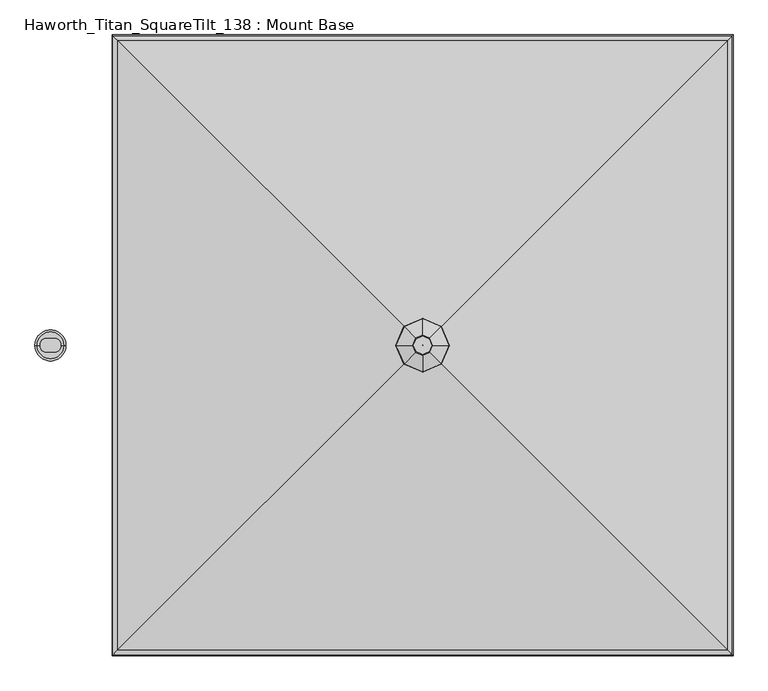
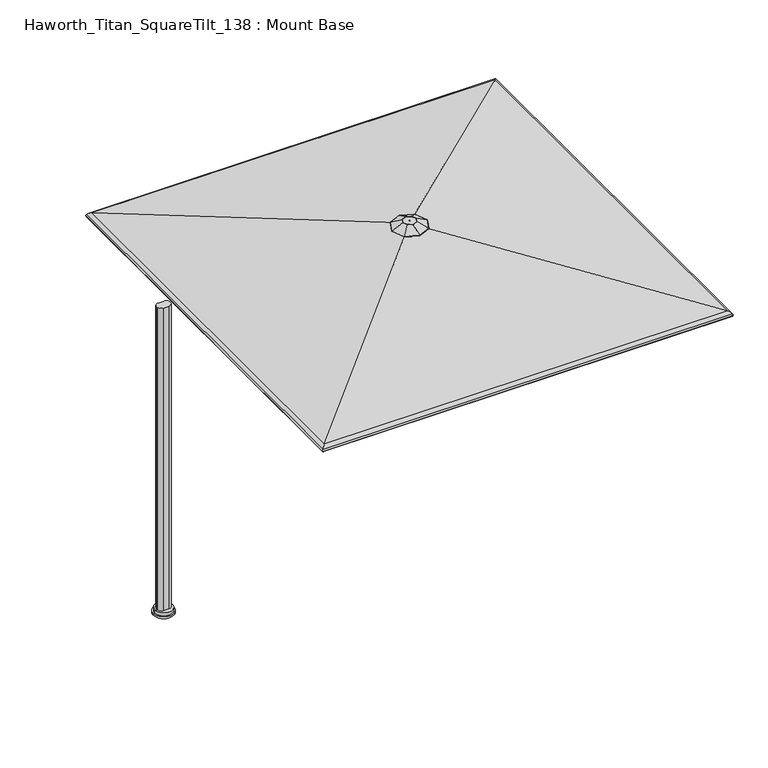
"""IFC4 building model written with IfcOpenShell, lengths in millimetres: furniture geometry, Haworth_Titan_SquareTilt_138 : Mount Base."""

from ifc_helpers import new_model, si_unit, point, frame, frame_2d, origin, place, context, project, spatial, polyline, circle_curve, ellipse_curve, trimmed, segment, composite_curve, outline, extrude, source, transform, mapped, element, save
from ifc_brep_helpers import plane_surface, cylinder_surface, revolved_surface, advanced_brep


def haworth_titan_squaretilt_138_mount_base_5adf1c4e(model_context):
    return source(origin(), model_context, "Body", "SolidModel", [
        advanced_brep(
        [(243.7167733, -4.0299408, 2843.4799255), (227.6284214, 33.0984806, 2843.4799255), (190.5, 49.1868325, 2843.4799255), (153.3715786, 33.0984806, 2843.4799255), (137.2832267, -4.0299408, 2843.4799255), (153.3715786, -41.1583622, 2843.4799255), (190.5, -57.2467141, 2843.4799255), (227.6284214, -41.1583622, 2843.4799255), (190.2200807, -3.7500215, 2843.4799255), (190.5, -3.6287279, 2843.4799255), (190.7799193, -3.7500215, 2843.4799255), (190.9012128, -4.0299408, 2843.4799255), (190.7799193, -4.30986, 2843.4799255), (190.5, -4.4311536, 2843.4799255), (190.2200807, -4.30986, 2843.4799255), (190.0987872, -4.0299408, 2843.4799255), (170.7122835, 15.7577757, 2828.9716869), (190.5, 24.3321167, 2828.9716869), (210.2877165, 15.7577757, 2828.9716869), (218.8620575, -4.0299408, 2828.9716869), (210.2877165, -23.8176572, 2828.9716869), (190.5, -32.3919982, 2828.9716869), (170.7122835, -23.8176572, 2828.9716869), (162.1379425, -4.0299408, 2828.9716869), (190.9012128, -4.0299408, 2828.9716869), (190.7799193, -3.7500215, 2828.9716869), (190.5, -3.6287279, 2828.9716869), (190.2200807, -3.7500215, 2828.9716869), (190.0987872, -4.0299408, 2828.9716869), (190.2200807, -4.30986, 2828.9716869), (190.5, -4.4311536, 2828.9716869), (190.7799193, -4.30986, 2828.9716869), (84.5700231, 101.9000361, 2796.4187712), (38.6688326, -4.0299408, 2796.4187712), (83.8039003, 102.6661589, 2798.9948487), (37.5707362, -4.0299408, 2798.9948487), (149.033862, 37.4361973, 2842.1265361), (131.0659065, -4.0299408, 2842.1265361), (84.5700231, -109.9599176, 2796.4187712), (83.8039003, -110.7260405, 2798.9948487), (149.033862, -45.4960788, 2842.1265361), (190.5, -155.8611082, 2796.4187712), (190.5, -156.9592046, 2798.9948487), (190.5, -63.4640343, 2842.1265361), (296.4299769, -109.9599176, 2796.4187712), (297.1960997, -110.7260405, 2798.9948487), (231.966138, -45.4960788, 2842.1265361), (342.3311674, -4.0299408, 2796.4187712), (343.4292638, -4.0299408, 2798.9948487), (249.9340935, -4.0299408, 2842.1265361), (296.4299769, 101.9000361, 2796.4187712), (297.1960997, 102.6661589, 2798.9948487), (231.966138, 37.4361973, 2842.1265361), (190.5, 147.8012266, 2796.4187712), (190.5, 148.899323, 2798.9948487), (190.5, 55.4041527, 2842.1265361)],
        [
            (0, 1),
            (1, 2),
            (2, 3),
            (3, 4),
            (4, 5),
            (5, 6),
            (6, 7),
            (7, 0),
            (8, 9),
            (9, 10),
            (10, 11),
            (11, 12),
            (12, 13),
            (13, 14),
            (14, 15),
            (15, 8),
            (16, 17),
            (17, 18),
            (18, 19),
            (19, 20),
            (20, 21),
            (21, 22),
            (22, 23),
            (23, 16),
            (24, 25),
            (25, 26),
            (26, 27),
            (27, 28),
            (28, 29),
            (29, 30),
            (30, 31),
            (31, 24),
            (27, 8),
            (15, 28),
            (14, 29),
            (13, 30),
            (12, 31),
            (11, 24),
            (10, 25),
            (9, 26),
            (32, 16),
            (23, 33),
            (33, 32),
            (34, 32, ellipse_curve(frame((84.278338, 102.1917212, 2797.7538132), z_axis=(-0.7071067811865479, -0.707106781186547, 0.0), x_axis=(-0.7071067811865467, 0.7071067811865482, 0.0)), 1.4936871, 1.3890625)),
            (33, 35, ellipse_curve(frame((38.2507556, -4.0299408, 2797.7538132), z_axis=(0.0, 0.9999999999999999, 0.0), x_axis=(1.0, 0.0, 0.0)), 1.5138634, 1.3890625)),
            (35, 34),
            (36, 34),
            (35, 37),
            (37, 36),
            (3, 36, ellipse_curve(frame((153.3715786, 33.0984806, 2830.7799255), z_axis=(-0.7071067811865479, -0.707106781186547, 0.0), x_axis=(-0.7071067811865467, 0.7071067811865482, 0.0)), 13.656568, 12.7)),
            (37, 4, ellipse_curve(frame((137.2832267, -4.0299408, 2830.7799255), z_axis=(0.0, 0.9999999999999999, 0.0), x_axis=(1.0, 0.0, 0.0)), 13.8410369, 12.7)),
            (22, 38),
            (38, 33),
            (38, 39, ellipse_curve(frame((84.278338, -110.2516027, 2797.7538132), z_axis=(-0.707106781186547, 0.707106781186548, 0.0), x_axis=(0.7071067811865479, 0.707106781186547, 0.0)), 1.4936871, 1.3890625)),
            (39, 35),
            (39, 40),
            (40, 37),
            (40, 5, ellipse_curve(frame((153.3715786, -41.1583622, 2830.7799255), z_axis=(-0.707106781186547, 0.707106781186548, 0.0), x_axis=(0.7071067811865479, 0.707106781186547, 0.0)), 13.656568, 12.7)),
            (21, 41),
            (41, 38),
            (41, 42, ellipse_curve(frame((190.5, -156.2791852, 2797.7538132), z_axis=(-0.9999999999999999, 0.0, 0.0), x_axis=(0.0, 1.0, 0.0)), 1.5138634, 1.3890625)),
            (42, 39),
            (42, 43),
            (43, 40),
            (43, 6, ellipse_curve(frame((190.5, -57.2467141, 2830.7799255), z_axis=(-0.9999999999999999, 0.0, 0.0), x_axis=(0.0, 1.0, 0.0)), 13.8410369, 12.7)),
            (20, 44),
            (44, 41),
            (44, 45, ellipse_curve(frame((296.721662, -110.2516027, 2797.7538132), z_axis=(-0.707106781186548, -0.707106781186547, 0.0), x_axis=(-0.7071067811865469, 0.7071067811865481, 0.0)), 1.4936871, 1.3890625)),
            (45, 42),
            (45, 46),
            (46, 43),
            (46, 7, ellipse_curve(frame((227.6284214, -41.1583622, 2830.7799255), z_axis=(-0.707106781186548, -0.707106781186547, 0.0), x_axis=(-0.7071067811865469, 0.7071067811865481, 0.0)), 13.656568, 12.7)),
            (19, 47),
            (47, 44),
            (47, 48, ellipse_curve(frame((342.7492444, -4.0299408, 2797.7538132), z_axis=(0.0, -1.0, 0.0), x_axis=(-1.0, 0.0, 0.0)), 1.5138634, 1.3890625)),
            (48, 45),
            (48, 49),
            (49, 46),
            (49, 0, ellipse_curve(frame((243.7167733, -4.0299408, 2830.7799255), z_axis=(0.0, -1.0, 0.0), x_axis=(-1.0, 0.0, 0.0)), 13.8410369, 12.7)),
            (18, 50),
            (50, 47),
            (50, 51, ellipse_curve(frame((296.721662, 102.1917212, 2797.7538132), z_axis=(0.707106781186547, -0.707106781186548, 0.0), x_axis=(-0.7071067811865478, -0.7071067811865471, 0.0)), 1.4936871, 1.3890625)),
            (51, 48),
            (51, 52),
            (52, 49),
            (52, 1, ellipse_curve(frame((227.6284214, 33.0984806, 2830.7799255), z_axis=(0.707106781186547, -0.707106781186548, 0.0), x_axis=(-0.7071067811865478, -0.7071067811865471, 0.0)), 13.656568, 12.7)),
            (17, 53),
            (53, 50),
            (53, 54, ellipse_curve(frame((190.5, 148.2193037, 2797.7538132), z_axis=(0.9999999999999999, 0.0, 0.0), x_axis=(0.0, -1.0, 0.0)), 1.5138634, 1.3890625)),
            (54, 51),
            (54, 55),
            (55, 52),
            (55, 2, ellipse_curve(frame((190.5, 49.1868325, 2830.7799255), z_axis=(0.9999999999999999, 0.0, 0.0), x_axis=(0.0, -1.0, 0.0)), 13.8410369, 12.7)),
            (32, 53),
            (34, 54),
            (36, 55),
        ],
        [
            plane_surface(frame((190.5, 49.1868325, 2843.4799255), z_axis=(0.0, 0.0, 1.0), x_axis=(-0.9175613115760063, -0.3975943152246007, 0.0))),
            plane_surface(frame((190.5, -3.6287279, 2828.9716869), z_axis=(0.0, 0.0, -1.0000000000000002), x_axis=(-0.9175613115759947, -0.39759431522462746, 0.0))),
            plane_surface(frame((190.2200807, -3.7500215, 2843.4799255), z_axis=(0.9175613115760348, -0.397594315224535, 0.0), x_axis=(-0.397594315224535, -0.9175613115760348, 0.0))),
            plane_surface(frame((190.0987872, -4.0299408, 2843.4799255), z_axis=(0.9175613115760161, 0.3975943152245781, 0.0), x_axis=(0.3975943152245781, -0.9175613115760161, 0.0))),
            plane_surface(frame((190.2200807, -4.30986, 2843.4799255), z_axis=(0.39759431522454197, 0.9175613115760317, 0.0), x_axis=(0.9175613115760317, -0.39759431522454197, 0.0))),
            plane_surface(frame((190.5, -4.4311536, 2843.4799255), z_axis=(-0.3975943152245726, 0.9175613115760184, 0.0), x_axis=(0.9175613115760184, 0.3975943152245726, 0.0))),
            plane_surface(frame((190.7799193, -4.30986, 2843.4799255), z_axis=(-0.9175613115759994, 0.39759431522461663, 0.0), x_axis=(0.39759431522461663, 0.9175613115759994, 0.0))),
            plane_surface(frame((190.9012128, -4.0299408, 2843.4799255), z_axis=(-0.91756131157602, -0.3975943152245694, 0.0), x_axis=(-0.3975943152245694, 0.91756131157602, 0.0))),
            plane_surface(frame((190.7799193, -3.7500215, 2843.4799255), z_axis=(-0.3975943152246114, -0.9175613115760016, 0.0), x_axis=(-0.9175613115760016, 0.3975943152246114, 0.0))),
            plane_surface(frame((190.5, -3.6287279, 2843.4799255), z_axis=(0.39759431522460253, -0.9175613115760055, 0.0), x_axis=(-0.9175613115760055, -0.39759431522460253, 0.0))),
            plane_surface(frame((170.7122835, 15.7577757, 2828.9716869), z_axis=(0.25339888552783735, -0.10980187928485084, -0.9611100624375781), x_axis=(-0.39759431522460265, -0.9175613115760055, 0.0))),
            cylinder_surface(frame((84.3593942, 102.3787813, 2797.7538132), z_axis=(0.3975943152246023, 0.9175613115760056, 0.0), x_axis=(0.9175613115760056, -0.3975943152246023, 0.0)), 1.3890625),
            plane_surface(frame((83.8039003, 102.6661589, 2798.9948487), z_axis=(-0.4121636618055376, 0.1785972520948631, 0.8934339021053628), x_axis=(-0.3975943152246023, -0.9175613115760056, 0.0))),
            cylinder_surface(frame((167.7366896, 66.2500363, 2830.7799255), z_axis=(0.3975943152246023, 0.9175613115760056, 0.0), x_axis=(0.9175613115760056, -0.3975943152246023, 0.0)), 12.7),
            plane_surface(frame((162.1379425, -4.0299408, 2828.9716869), z_axis=(0.25339888552783774, 0.1098018792848499, -0.9611100624375779), x_axis=(0.39759431522459926, -0.9175613115760068, 0.0))),
            cylinder_surface(frame((38.1619188, -3.8249249, 2797.7538132), z_axis=(-0.39759431522459965, 0.9175613115760068, 0.0), x_axis=(0.9175613115760068, 0.39759431522459965, 0.0)), 1.3890625),
            plane_surface(frame((37.5707362, -4.0299408, 2798.9948487), z_axis=(-0.41216366180553804, -0.17859725209486188, 0.8934339021053624), x_axis=(0.39759431522459965, -0.9175613115760067, 0.0))),
            cylinder_surface(frame((121.5392142, 32.3038202, 2830.7799255), z_axis=(-0.39759431522459965, 0.9175613115760068, 0.0), x_axis=(0.9175613115760068, 0.39759431522459965, 0.0)), 12.7),
            plane_surface(frame((170.7122835, -23.8176572, 2828.9716869), z_axis=(0.10980187928485022, 0.2533988855278375, -0.9611100624375781), x_axis=(0.9175613115760065, -0.39759431522460054, 0.0))),
            cylinder_surface(frame((84.0912779, -110.1705465, 2797.7538132), z_axis=(-0.9175613115760063, 0.3975943152246009, 0.0), x_axis=(0.3975943152246009, 0.9175613115760063, 0.0)), 1.3890625),
            plane_surface(frame((83.8039003, -110.7260405, 2798.9948487), z_axis=(-0.17859725209486255, -0.4121636618055377, 0.8934339021053628), x_axis=(0.9175613115760062, -0.39759431522460115, 0.0))),
            cylinder_surface(frame((120.2200229, -26.7932512, 2830.7799255), z_axis=(-0.9175613115760063, 0.3975943152246009, 0.0), x_axis=(0.3975943152246009, 0.9175613115760063, 0.0)), 12.7),
            plane_surface(frame((190.5, -32.3919982, 2828.9716869), z_axis=(-0.10980187928485018, 0.2533988855278376, -0.9611100624375781), x_axis=(0.9175613115760065, 0.39759431522460026, 0.0))),
            cylinder_surface(frame((190.2949841, -156.368022, 2797.7538132), z_axis=(-0.9175613115760062, -0.3975943152246011, 0.0), x_axis=(-0.3975943152246011, 0.9175613115760062, 0.0)), 1.3890625),
            plane_surface(frame((190.5, -156.9592046, 2798.9948487), z_axis=(0.1785972520948624, -0.4121636618055376, 0.8934339021053627), x_axis=(0.9175613115760062, 0.397594315224601, 0.0))),
            cylinder_surface(frame((154.1662391, -72.9907266, 2830.7799255), z_axis=(-0.9175613115760062, -0.3975943152246011, 0.0), x_axis=(-0.3975943152246011, 0.9175613115760062, 0.0)), 12.7),
            plane_surface(frame((210.2877165, -23.8176572, 2828.9716869), z_axis=(-0.2533988855278374, 0.10980187928485075, -0.9611100624375781), x_axis=(0.3975943152246023, 0.9175613115760056, 0.0))),
            cylinder_surface(frame((296.6406058, -110.4386628, 2797.7538132), z_axis=(-0.3975943152246023, -0.9175613115760057, 0.0), x_axis=(-0.9175613115760057, 0.3975943152246023, 0.0)), 1.3890625),
            plane_surface(frame((297.1960997, -110.7260405, 2798.9948487), z_axis=(0.4121636618055374, -0.17859725209486313, 0.8934339021053627), x_axis=(0.39759431522460253, 0.9175613115760055, 0.0))),
            cylinder_surface(frame((213.2633104, -74.3099178, 2830.7799255), z_axis=(-0.3975943152246023, -0.9175613115760057, 0.0), x_axis=(-0.9175613115760057, 0.3975943152246023, 0.0)), 12.7),
            plane_surface(frame((218.8620575, -4.0299408, 2828.9716869), z_axis=(-0.2533988855278377, -0.1098018792848499, -0.961110062437578), x_axis=(-0.3975943152245993, 0.9175613115760068, 0.0))),
            cylinder_surface(frame((342.8380812, -4.2349567, 2797.7538132), z_axis=(0.39759431522459965, -0.9175613115760066, 0.0), x_axis=(-0.9175613115760066, -0.39759431522459965, 0.0)), 1.3890625),
            plane_surface(frame((343.4292638, -4.0299408, 2798.9948487), z_axis=(0.4121636618055379, 0.1785972520948618, 0.8934339021053627), x_axis=(-0.3975943152245996, 0.9175613115760067, 0.0))),
            cylinder_surface(frame((259.4607858, -40.3637017, 2830.7799255), z_axis=(0.39759431522459965, -0.9175613115760066, 0.0), x_axis=(-0.9175613115760066, -0.39759431522459965, 0.0)), 12.7),
            plane_surface(frame((210.2877165, 15.7577757, 2828.9716869), z_axis=(-0.10980187928485009, -0.2533988855278375, -0.961110062437578), x_axis=(-0.9175613115760065, 0.3975943152246001, 0.0))),
            cylinder_surface(frame((296.9087221, 102.110665, 2797.7538132), z_axis=(0.9175613115760062, -0.3975943152246008, 0.0), x_axis=(-0.3975943152246008, -0.9175613115760062, 0.0)), 1.3890625),
            plane_surface(frame((297.1960997, 102.6661589, 2798.9948487), z_axis=(0.17859725209486232, 0.41216366180553754, 0.8934339021053628), x_axis=(-0.9175613115760062, 0.39759431522460087, 0.0))),
            cylinder_surface(frame((260.7799771, 18.7333696, 2830.7799255), z_axis=(0.9175613115760062, -0.3975943152246008, 0.0), x_axis=(-0.3975943152246008, -0.9175613115760062, 0.0)), 12.7),
            plane_surface(frame((190.5, 24.3321167, 2828.9716869), z_axis=(0.1098018792848503, -0.25339888552783746, -0.961110062437578), x_axis=(-0.9175613115760063, -0.39759431522460087, 0.0))),
            cylinder_surface(frame((190.7050159, 148.3081404, 2797.7538132), z_axis=(0.9175613115760061, 0.39759431522460115, 0.0), x_axis=(0.39759431522460115, -0.9175613115760061, 0.0)), 1.3890625),
            plane_surface(frame((190.5, 148.899323, 2798.9948487), z_axis=(-0.17859725209486235, 0.4121636618055375, 0.8934339021053627), x_axis=(-0.9175613115760062, -0.397594315224601, 0.0))),
            cylinder_surface(frame((226.8337609, 64.9308451, 2830.7799255), z_axis=(0.9175613115760061, 0.39759431522460115, 0.0), x_axis=(0.39759431522460115, -0.9175613115760061, 0.0)), 12.7),
        ],
        [
            (0, [[1, 2, 3, 4, 5, 6, 7, 8], [9, 10, 11, 12, 13, 14, 15, 16]]),
            (1, [[17, 18, 19, 20, 21, 22, 23, 24], [25, 26, 27, 28, 29, 30, 31, 32]]),
            (2, [[33, -16, 34, -28]]),
            (3, [[-34, -15, 35, -29]]),
            (4, [[-35, -14, 36, -30]]),
            (5, [[-36, -13, 37, -31]]),
            (6, [[-37, -12, 38, -32]]),
            (7, [[-38, -11, 39, -25]]),
            (8, [[-39, -10, 40, -26]]),
            (9, [[-40, -9, -33, -27]]),
            (10, [[41, -24, 42, 43]]),
            (11, [[44, -43, 45, 46]]),
            (12, [[47, -46, 48, 49]]),
            (13, [[50, -49, 51, -4]]),
            (14, [[-42, -23, 52, 53]]),
            (15, [[-45, -53, 54, 55]]),
            (16, [[-48, -55, 56, 57]]),
            (17, [[-51, -57, 58, -5]]),
            (18, [[-52, -22, 59, 60]]),
            (19, [[-54, -60, 61, 62]]),
            (20, [[-56, -62, 63, 64]]),
            (21, [[-58, -64, 65, -6]]),
            (22, [[-59, -21, 66, 67]]),
            (23, [[-61, -67, 68, 69]]),
            (24, [[-63, -69, 70, 71]]),
            (25, [[-65, -71, 72, -7]]),
            (26, [[-66, -20, 73, 74]]),
            (27, [[-68, -74, 75, 76]]),
            (28, [[-70, -76, 77, 78]]),
            (29, [[-72, -78, 79, -8]]),
            (30, [[-73, -19, 80, 81]]),
            (31, [[-75, -81, 82, 83]]),
            (32, [[-77, -83, 84, 85]]),
            (33, [[-79, -85, 86, -1]]),
            (34, [[-80, -18, 87, 88]]),
            (35, [[-82, -88, 89, 90]]),
            (36, [[-84, -90, 91, 92]]),
            (37, [[-86, -92, 93, -2]]),
            (38, [[-87, -17, -41, 94]]),
            (39, [[-89, -94, -44, 95]]),
            (40, [[-91, -95, -47, 96]]),
            (41, [[-93, -96, -50, -3]]),
        ],
    ),
        advanced_brep(
        [(1969.2597722, 1775.5831599, 2424.8460308), (1966.4607714, 1772.7841591, 2444.7505632), (1966.4607714, -1780.8440407, 2444.7505632), (1969.2597722, -1783.6430415, 2424.8460308), (1964.8682201, 1771.1916078, 2426.0889856), (1964.8682201, -1779.2514894, 2426.0889856), (1962.5823249, 1768.9057126, 2442.3446706), (1962.5823249, -1776.9655942, 2442.3446706), (-1588.2597722, -1783.6430415, 2424.8460308), (-1583.8682201, -1779.2514894, 2426.0889856), (-1581.5823249, -1776.9655942, 2442.3446706), (1936.4170078, -1750.8002771, 2460.5452311), (-1555.4170078, -1750.8002771, 2460.5452311), (238.8667055, -53.2499747, 2804.5941208), (142.1332945, -53.2499747, 2804.5941208), (191.0356592, -5.4189284, 2809.1581833), (191.0356592, -5.4189284, 2804.5941208), (189.9643408, -5.4189284, 2804.5941208), (189.9643408, -5.4189284, 2809.1581833), (1937.3235912, -1751.7068604, 2465.0183478), (239.3245589, -53.7078281, 2809.1581833), (141.6754411, -53.7078281, 2809.1581833), (-1556.3235912, -1751.7068604, 2465.0183478), (-1585.4607714, -1780.8440407, 2444.7505632), (-1588.2597722, 1775.5831599, 2424.8460308), (-1583.8682201, 1771.1916078, 2426.0889856), (-1581.5823249, 1768.9057126, 2442.3446706), (-1555.4170078, 1742.7403955, 2460.5452311), (142.1332945, 45.1900932, 2804.5941208), (189.9643408, -2.6409532, 2804.5941208), (189.9643408, -2.6409532, 2809.1581833), (141.6754411, 45.6479465, 2809.1581833), (-1556.3235912, 1743.6469788, 2465.0183478), (-1585.4607714, 1772.7841591, 2444.7505632), (1936.4170078, 1742.7403955, 2460.5452311), (238.8667055, 45.1900932, 2804.5941208), (191.0356592, -2.6409532, 2804.5941208), (191.0356592, -2.6409532, 2809.1581833), (239.3245589, 45.6479465, 2809.1581833), (1937.3235912, 1743.6469788, 2465.0183478)],
        [
            (0, 1, ellipse_curve(frame((1945.3037712, 1751.6271588, 2431.626373), z_axis=(0.7071067811865479, -0.707106781186547, 0.0), x_axis=(0.7071067811865469, 0.7071067811865481, 0.0)), 35.2097438, 24.8970486)),
            (1, 2),
            (2, 3, ellipse_curve(frame((1945.3037712, -1759.6870404, 2431.626373), z_axis=(0.7071067811865492, 0.7071067811865457, 0.0), x_axis=(-0.7071067811865456, 0.7071067811865493, 0.0)), 35.2097438, 24.8970486)),
            (3, 0),
            (4, 0, ellipse_curve(frame((1967.0639962, 1773.3873839, 2425.4675082), z_axis=(0.7071067811865479, -0.707106781186547, 0.0), x_axis=(0.7071067811865469, 0.7071067811865481, 0.0)), 3.2272795, 2.2820312)),
            (3, 5, ellipse_curve(frame((1967.0639962, -1781.4472654, 2425.4675082), z_axis=(0.7071067811865492, 0.7071067811865457, 0.0), x_axis=(-0.7071067811865456, 0.7071067811865493, 0.0)), 3.2272795, 2.2820312)),
            (5, 4),
            (6, 4, ellipse_curve(frame((1945.3037712, 1751.6271588, 2431.626373), z_axis=(-0.7071067811865479, 0.707106781186547, 0.0), x_axis=(-0.7071067811865469, -0.7071067811865481, 0.0)), 28.7551847, 20.3329861)),
            (5, 7, ellipse_curve(frame((1945.3037712, -1759.6870404, 2431.626373), z_axis=(-0.7071067811865492, -0.7071067811865457, 0.0), x_axis=(0.7071067811865456, -0.7071067811865493, 0.0)), 28.7551847, 20.3329861)),
            (7, 6),
            (3, 8),
            (8, 9, ellipse_curve(frame((-1586.0639962, -1781.4472654, 2425.4675082), z_axis=(0.7071067811865469, -0.7071067811865481, 0.0), x_axis=(0.7071067811865481, 0.7071067811865469, 0.0)), 3.2272795, 2.2820312)),
            (9, 5),
            (9, 10, ellipse_curve(frame((-1564.3037712, -1759.6870404, 2431.626373), z_axis=(-0.7071067811865469, 0.7071067811865481, 0.0), x_axis=(-0.7071067811865481, -0.7071067811865469, 0.0)), 28.7551847, 20.3329861)),
            (10, 7),
            (11, 7, ellipse_curve(frame((1928.4351327, -1742.8184019, 2421.1623556), z_axis=(0.7071067811865492, 0.7071067811865457, 0.0), x_axis=(-0.7071067811865458, 0.7071067811865491, 0.0)), 56.8281833, 40.1835938)),
            (10, 12, ellipse_curve(frame((-1547.4351327, -1742.8184019, 2421.1623556), z_axis=(-0.7071067811865469, 0.7071067811865481, 0.0), x_axis=(-0.7071067811865481, -0.7071067811865469, 0.0)), 56.8281833, 40.1835938)),
            (12, 11),
            (13, 11),
            (12, 14),
            (14, 13),
            (15, 16),
            (16, 17),
            (17, 18),
            (18, 15),
            (19, 20),
            (20, 21),
            (21, 22),
            (22, 19),
            (2, 19, ellipse_curve(frame((1928.4351327, -1742.8184019, 2421.1623556), z_axis=(-0.7071067811865492, -0.7071067811865457, 0.0), x_axis=(0.7071067811865458, -0.7071067811865491, 0.0)), 63.2827424, 44.7476563)),
            (22, 23, ellipse_curve(frame((-1547.4351327, -1742.8184019, 2421.1623556), z_axis=(0.7071067811865469, -0.7071067811865481, 0.0), x_axis=(0.7071067811865481, 0.7071067811865469, 0.0)), 63.2827424, 44.7476563)),
            (23, 2),
            (23, 8, ellipse_curve(frame((-1564.3037712, -1759.6870404, 2431.626373), z_axis=(0.7071067811865469, -0.7071067811865481, 0.0), x_axis=(0.7071067811865481, 0.7071067811865469, 0.0)), 35.2097438, 24.8970486)),
            (8, 24),
            (24, 25, ellipse_curve(frame((-1586.0639962, 1773.3873839, 2425.4675082), z_axis=(-0.7071067811865459, -0.7071067811865491, 0.0), x_axis=(0.7071067811865491, -0.7071067811865458, 0.0)), 3.2272795, 2.2820312)),
            (25, 9),
            (25, 26, ellipse_curve(frame((-1564.3037712, 1751.6271588, 2431.626373), z_axis=(0.7071067811865459, 0.7071067811865491, 0.0), x_axis=(-0.7071067811865491, 0.7071067811865458, 0.0)), 28.7551847, 20.3329861)),
            (26, 10),
            (26, 27, ellipse_curve(frame((-1547.4351327, 1734.7585204, 2421.1623556), z_axis=(0.7071067811865459, 0.7071067811865491, 0.0), x_axis=(-0.7071067811865491, 0.7071067811865458, 0.0)), 56.8281833, 40.1835938)),
            (27, 12),
            (27, 28),
            (28, 14),
            (17, 29),
            (29, 30),
            (30, 18),
            (21, 31),
            (31, 32),
            (32, 22),
            (32, 33, ellipse_curve(frame((-1547.4351327, 1734.7585204, 2421.1623556), z_axis=(-0.7071067811865459, -0.7071067811865491, 0.0), x_axis=(0.7071067811865491, -0.7071067811865458, 0.0)), 63.2827424, 44.7476563)),
            (33, 23),
            (33, 24, ellipse_curve(frame((-1564.3037712, 1751.6271588, 2431.626373), z_axis=(-0.7071067811865459, -0.7071067811865491, 0.0), x_axis=(0.7071067811865491, -0.7071067811865458, 0.0)), 35.2097438, 24.8970486)),
            (24, 0),
            (4, 25),
            (6, 26),
            (6, 34, ellipse_curve(frame((1928.4351327, 1734.7585204, 2421.1623556), z_axis=(0.7071067811865479, -0.707106781186547, 0.0), x_axis=(0.7071067811865472, 0.7071067811865477, 0.0)), 56.8281833, 40.1835938)),
            (34, 27),
            (34, 35),
            (35, 28),
            (29, 36),
            (36, 37),
            (37, 30),
            (31, 38),
            (38, 39),
            (39, 32),
            (39, 1, ellipse_curve(frame((1928.4351327, 1734.7585204, 2421.1623556), z_axis=(-0.7071067811865479, 0.707106781186547, 0.0), x_axis=(-0.7071067811865472, -0.7071067811865477, 0.0)), 63.2827424, 44.7476563)),
            (1, 33),
            (11, 34),
            (13, 35),
            (16, 36),
            (15, 37),
            (20, 38),
            (19, 39),
        ],
        [
            cylinder_surface(frame((1945.3037712, 1783.2910751, 2431.626373), z_axis=(0.0, 1.0, 0.0), x_axis=(1.0, 0.0, 0.0)), 24.8970486),
            cylinder_surface(frame((1967.0639962, 1783.2910751, 2425.4675082), z_axis=(0.0, 1.0, 0.0), x_axis=(1.0, 0.0, 0.0)), 2.2820312),
            revolved_surface(polyline([(1965.6367573, -1780.020026495642, 2431.626373), (1965.6367573, 1771.9601448956416, 2431.626373)]), (1945.3037712, 1783.2910751, 2431.626373), (0.0, -1.0, 0.0)),
            cylinder_surface(frame((1976.9676874, -1781.4472654, 2425.4675082), z_axis=(1.0, 0.0, 0.0), x_axis=(0.0, -1.0, 0.0)), 2.2820312),
            revolved_surface(polyline([(-1584.6367572956422, -1780.0200264999999, 2431.626373), (1965.6367572956417, -1780.0200264999999, 2431.626373)]), (1976.9676874, -1759.6870404, 2431.626373), (-1.0, 0.0, 0.0)),
            revolved_surface(polyline([(-1587.6187264739422, -1783.0019957, 2421.1623556), (1968.618726473942, -1783.0019957, 2421.1623556)]), (1976.9676874, -1742.8184019, 2421.1623556), (-1.0, 0.0, 0.0)),
            plane_surface(frame((1936.4170078, -1750.8002771, 2460.5452311), z_axis=(0.0, 0.19863517413845191, -0.9800735011186594), x_axis=(-1.0, 0.0, 0.0))),
            plane_surface(frame((191.0356592, -5.4189284, 2804.5941208), z_axis=(0.0, 1.0, 0.0), x_axis=(-1.0, 0.0, 0.0))),
            plane_surface(frame((239.3245589, -53.7078281, 2809.1581833), z_axis=(0.0, -0.19863517413845186, 0.9800735011186594), x_axis=(-1.0, 0.0, 0.0))),
            cylinder_surface(frame((1976.9676874, -1742.8184019, 2421.1623556), z_axis=(1.0, 0.0, 0.0), x_axis=(0.0, -1.0, 0.0)), 44.7476563),
            cylinder_surface(frame((1976.9676874, -1759.6870404, 2431.626373), z_axis=(1.0, 0.0, 0.0), x_axis=(0.0, -1.0, 0.0)), 24.8970486),
            cylinder_surface(frame((-1586.0639962, -1791.3509566, 2425.4675082), z_axis=(0.0, -1.0, 0.0), x_axis=(-1.0, 0.0, 0.0)), 2.2820312),
            revolved_surface(polyline([(-1584.6367573, 1771.9601448956416, 2431.626373), (-1584.6367573, -1780.0200264956416, 2431.626373)]), (-1564.3037712, -1791.3509566, 2431.626373), (0.0, 1.0, 0.0)),
            revolved_surface(polyline([(-1587.6187264999999, 1774.942114173942, 2421.1623556), (-1587.6187264999999, -1783.001995673942, 2421.1623556)]), (-1547.4351327, -1791.3509566, 2421.1623556), (0.0, 1.0, 0.0)),
            plane_surface(frame((-1555.4170078, -1750.8002771, 2460.5452311), z_axis=(0.19863517413844872, 0.0, -0.9800735011186601), x_axis=(0.0, 1.0, 0.0))),
            plane_surface(frame((189.9643408, -5.4189284, 2804.5941208), z_axis=(1.0, 0.0, 0.0), x_axis=(0.0, 1.0, 0.0))),
            plane_surface(frame((141.6754411, -53.7078281, 2809.1581833), z_axis=(-0.19863517413844867, 0.0, 0.9800735011186601), x_axis=(0.0, 1.0, 0.0))),
            cylinder_surface(frame((-1547.4351327, -1791.3509566, 2421.1623556), z_axis=(0.0, -1.0, 0.0), x_axis=(-1.0, 0.0, 0.0)), 44.7476563),
            cylinder_surface(frame((-1564.3037712, -1791.3509566, 2431.626373), z_axis=(0.0, -1.0, 0.0), x_axis=(-1.0, 0.0, 0.0)), 24.8970486),
            cylinder_surface(frame((-1595.9676874, 1773.3873839, 2425.4675082), z_axis=(-1.0, 0.0, 0.0), x_axis=(0.0, 1.0, 0.0)), 2.2820312),
            revolved_surface(polyline([(1965.6367572956417, 1771.9601449, 2431.626373), (-1584.6367572956417, 1771.9601449, 2431.626373)]), (-1595.9676874, 1751.6271588, 2431.626373), (1.0, 0.0, 0.0)),
            revolved_surface(polyline([(1968.6187264739422, 1774.9421141999999, 2421.1623556), (-1587.6187264739422, 1774.9421141999999, 2421.1623556)]), (-1595.9676874, 1734.7585204, 2421.1623556), (1.0, 0.0, 0.0)),
            plane_surface(frame((-1555.4170078, 1742.7403955, 2460.5452311), z_axis=(0.0, -0.19863517413845191, -0.9800735011186594), x_axis=(1.0, 0.0, 0.0))),
            plane_surface(frame((189.9643408, -2.6409532, 2804.5941208), z_axis=(0.0, -1.0, 0.0), x_axis=(1.0, 0.0, 0.0))),
            plane_surface(frame((141.6754411, 45.6479465, 2809.1581833), z_axis=(0.0, 0.19863517413845186, 0.9800735011186594), x_axis=(1.0, 0.0, 0.0))),
            cylinder_surface(frame((-1595.9676874, 1734.7585204, 2421.1623556), z_axis=(-1.0, 0.0, 0.0), x_axis=(0.0, 1.0, 0.0)), 44.7476563),
            cylinder_surface(frame((-1595.9676874, 1751.6271588, 2431.626373), z_axis=(-1.0, 0.0, 0.0), x_axis=(0.0, 1.0, 0.0)), 24.8970486),
            revolved_surface(polyline([(1968.6187264999999, -1783.001995673942, 2421.1623556), (1968.6187264999999, 1774.9421141739422, 2421.1623556)]), (1928.4351327, 1783.2910751, 2421.1623556), (0.0, -1.0, 0.0)),
            plane_surface(frame((1936.4170078, 1742.7403955, 2460.5452311), z_axis=(-0.1986351741384551, 0.0, -0.9800735011186588), x_axis=(0.0, -1.0, 0.0))),
            plane_surface(frame((238.8667055, 45.1900932, 2804.5941208), z_axis=(0.0, 0.0, -1.0), x_axis=(0.0, -1.0, 0.0))),
            plane_surface(frame((191.0356592, -2.6409532, 2804.5941208), z_axis=(-1.0, 0.0, 0.0), x_axis=(0.0, -1.0, 0.0))),
            plane_surface(frame((191.0356592, -2.6409532, 2809.1581833), z_axis=(0.0, 0.0, 1.0), x_axis=(0.0, -1.0, 0.0))),
            plane_surface(frame((239.3245589, 45.6479465, 2809.1581833), z_axis=(0.19863517413845505, 0.0, 0.9800735011186588), x_axis=(0.0, -1.0, 0.0))),
            cylinder_surface(frame((1928.4351327, 1783.2910751, 2421.1623556), z_axis=(0.0, 1.0, 0.0), x_axis=(1.0, 0.0, 0.0)), 44.7476563),
        ],
        [
            (0, [[1, 2, 3, 4]]),
            (1, [[5, -4, 6, 7]]),
            (2, [[8, -7, 9, 10]]),
            (3, [[-6, 11, 12, 13]]),
            (4, [[-9, -13, 14, 15]]),
            (5, [[16, -15, 17, 18]]),
            (6, [[19, -18, 20, 21]]),
            (7, [[22, 23, 24, 25]]),
            (8, [[26, 27, 28, 29]]),
            (9, [[30, -29, 31, 32]]),
            (10, [[-3, -32, 33, -11]]),
            (11, [[-12, 34, 35, 36]]),
            (12, [[-14, -36, 37, 38]]),
            (13, [[-17, -38, 39, 40]]),
            (14, [[-20, -40, 41, 42]]),
            (15, [[-24, 43, 44, 45]]),
            (16, [[-28, 46, 47, 48]]),
            (17, [[-31, -48, 49, 50]]),
            (18, [[-33, -50, 51, -34]]),
            (19, [[-35, 52, -5, 53]]),
            (20, [[-37, -53, -8, 54]]),
            (21, [[-39, -54, 55, 56]]),
            (22, [[-41, -56, 57, 58]]),
            (23, [[-44, 59, 60, 61]]),
            (24, [[-47, 62, 63, 64]]),
            (25, [[-49, -64, 65, 66]]),
            (26, [[-51, -66, -1, -52]]),
            (27, [[-55, -10, -16, 67]]),
            (28, [[-57, -67, -19, 68]]),
            (29, [[-42, -58, -68, -21], [69, -59, -43, -23]]),
            (30, [[-60, -69, -22, 70]]),
            (31, [[71, -62, -46, -27], [-45, -61, -70, -25]]),
            (32, [[-63, -71, -26, 72]]),
            (33, [[-65, -72, -30, -2]]),
        ],
    ),
        extrude(outline(composite_curve([segment(polyline([(-1916.4300194, -42.1299408), (-1969.7699806, -42.1299408)]), True, "CONTINUOUS"), segment(trimmed(circle_curve(frame_2d((-1969.7699806, -10.3799408)), 31.75), [point((-1969.7699806, -42.1299408))], [point((-2001.5199806, -10.3799408))], False, "CARTESIAN"), True, "CONTINUOUS"), segment(polyline([(-2001.5199806, -10.3799408), (-2001.5199806, 2.3200592)]), True, "CONTINUOUS"), segment(trimmed(circle_curve(frame_2d((-1969.7699806, 2.3200592)), 31.75), [point((-2001.5199806, 2.3200592))], [point((-1969.7699806, 34.0700592))], False, "CARTESIAN"), True, "CONTINUOUS"), segment(polyline([(-1969.7699806, 34.0700592), (-1916.4300194, 34.0700592)]), True, "CONTINUOUS"), segment(trimmed(circle_curve(frame_2d((-1916.4300194, 2.3200592)), 31.75), [point((-1916.4300194, 34.0700592))], [point((-1884.6800194, 2.3200592))], False, "CARTESIAN"), True, "CONTINUOUS"), segment(polyline([(-1884.6800194, 2.3200592), (-1884.6800194, -10.3799408)]), True, "CONTINUOUS"), segment(trimmed(circle_curve(frame_2d((-1916.4300194, -10.3799408)), 31.75), [point((-1884.6800194, -10.3799408))], [point((-1916.4300194, -42.1299408))], False, "CARTESIAN"), True, "CONTINUOUS")], self_intersect=False)), frame((0.0, 0.0, 25.4), z_axis=(0.0, 0.0, 1.0), x_axis=(1.0, 0.0, 0.0)), (0.0, 0.0, 1.0), 2794.0),
        advanced_brep(
        [(-2032.0, -4.0299408, 15.8750008), (-1854.2, -4.0299408, 15.8750008), (-1854.2, -4.0299408, 0.0), (-2032.0, -4.0299408, 0.0), (-2019.3, -4.0299408, 15.8750008), (-1866.9, -4.0299408, 15.8750008), (-2019.3, -4.0299408, 43.8150008), (-1866.9, -4.0299408, 43.8150008), (-1943.1, -4.0299408, 43.8150008), (-1943.1, -4.0299408, 0.0)],
        [
            (0, 1, circle_curve(frame((-1943.1, -4.0299408, 15.8750008), z_axis=(0.0, 0.0, -1.0), x_axis=(1.0, 0.0, 0.0)), 88.9)),
            (1, 2),
            (2, 3, circle_curve(frame((-1943.1, -4.0299408, 0.0), z_axis=(0.0, 0.0, 1.0), x_axis=(1.0, 0.0, 0.0)), 88.9)),
            (3, 0),
            (1, 0, circle_curve(frame((-1943.1, -4.0299408, 15.8750008), z_axis=(0.0, 0.0, -1.0), x_axis=(1.0, 0.0, 0.0)), 88.9)),
            (3, 2, circle_curve(frame((-1943.1, -4.0299408, 0.0), z_axis=(0.0, 0.0, 1.0), x_axis=(1.0, 0.0, 0.0)), 88.9)),
            (4, 5, circle_curve(frame((-1943.1, -4.0299408, 15.8750008), z_axis=(0.0, 0.0, -1.0), x_axis=(1.0, 0.0, 0.0)), 76.2)),
            (5, 1),
            (0, 4),
            (5, 4, circle_curve(frame((-1943.1, -4.0299408, 15.8750008), z_axis=(0.0, 0.0, -1.0), x_axis=(1.0, 0.0, 0.0)), 76.2)),
            (6, 7, circle_curve(frame((-1943.1, -4.0299408, 43.8150008), z_axis=(0.0, 0.0, -1.0), x_axis=(1.0, 0.0, 0.0)), 76.2)),
            (7, 5),
            (4, 6),
            (7, 6, circle_curve(frame((-1943.1, -4.0299408, 43.8150008), z_axis=(0.0, 0.0, -1.0), x_axis=(1.0, 0.0, 0.0)), 76.2)),
            (8, 7),
            (6, 8),
            (2, 9),
            (9, 3),
        ],
        [
            cylinder_surface(frame((-1943.1, -4.0299408, 161.9250008), z_axis=(0.0, 0.0, 1.0), x_axis=(1.0, 0.0, 0.0)), 88.9),
            plane_surface(frame((-1943.1, -4.0299408, 15.8750008), z_axis=(0.0, 0.0, 1.0), x_axis=(1.0, 0.0, 0.0))),
            cylinder_surface(frame((-1943.1, -4.0299408, 161.9250008), z_axis=(0.0, 0.0, 1.0), x_axis=(1.0, 0.0, 0.0)), 76.2),
            plane_surface(frame((-1943.1, -4.0299408, 43.8150008), z_axis=(0.0, 0.0, 1.0), x_axis=(1.0, 0.0, 0.0))),
            plane_surface(frame((-1943.1, -4.0299408, 0.0), z_axis=(0.0, 0.0, -1.0), x_axis=(1.0, 0.0, 0.0))),
        ],
        [
            (0, [[1, 2, 3, 4]]),
            (0, [[5, -4, 6, -2]]),
            (1, [[7, 8, -1, 9]]),
            (1, [[10, -9, -5, -8]]),
            (2, [[11, 12, -7, 13]]),
            (2, [[14, -13, -10, -12]]),
            (3, [[15, -11, 16]]),
            (3, [[-16, -14, -15]]),
            (4, [[-3, 17, 18]]),
            (4, [[-6, -18, -17]]),
        ],
    ),
    ])


if __name__ == "__main__":
    model = new_model("IFC4")
    model_context = context("Model", 3, world=origin())
    ifc_project = project(units=[si_unit("LENGTHUNIT", "METRE", prefix="MILLI")], contexts=[model_context])
    site = spatial("IfcSite", under=ifc_project)
    building = spatial("IfcBuilding", under=site)
    placement = place(None, origin())
    haworth_titan_squaretilt_138_mount_base_shape = haworth_titan_squaretilt_138_mount_base_5adf1c4e(model_context)
    element("IfcFurniture", 1, ObjectType="Haworth_Titan_SquareTilt_138 : Mount Base", at=placement, inside=building, context=model_context, shape_type="MappedRepresentation", body=[
        mapped(haworth_titan_squaretilt_138_mount_base_shape, transform((0.0, 0.0, 0.0), x_axis=(1.0, 0.0, 0.0), y_axis=(0.0, 1.0, 0.0), z_axis=(0.0, 0.0, 1.0))),
    ])
    save(model, "model.ifc")
